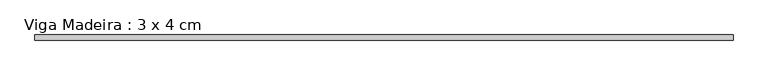
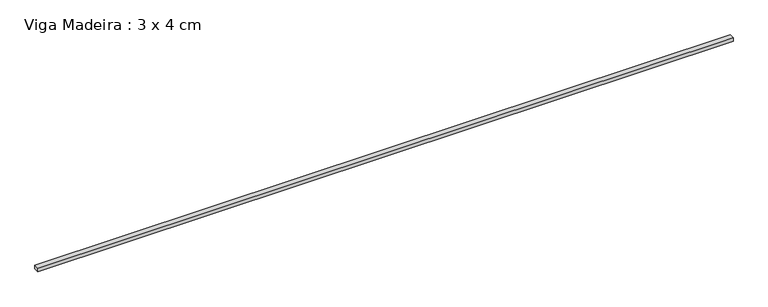
"""IFC4 building model written with IfcOpenShell, lengths in millimetres: beam geometry, Viga Madeira : 3 x 4 cm."""

from ifc_helpers import new_model, si_unit, frame, origin, place, context, project, spatial, polyline, outline, extrude, source, transform, mapped, element, save


def viga_madeira_3_x_4_cm_852598c1(model_context):
    return source(origin(), model_context, "Body", "SweptSolid", [
        extrude(outline(polyline([(2709.0067294, 20.0), (2709.0067294, -20.0), (-2709.0067294, -20.0), (-2709.0067294, 20.0), (2709.0067294, 20.0)])), frame((0.0, 0.0, -15.0), z_axis=(0.0, 0.0, 1.0), x_axis=(1.0, 0.0, 0.0)), (0.0, 0.0, 1.0), 30.0),
    ])


if __name__ == "__main__":
    model = new_model("IFC4")
    model_context = context("Model", 3, world=origin())
    ifc_project = project(units=[si_unit("LENGTHUNIT", "METRE", prefix="MILLI")], contexts=[model_context])
    site = spatial("IfcSite", under=ifc_project)
    building = spatial("IfcBuilding", under=site)
    placement = place(None, origin())
    viga_madeira_3_x_4_cm_shape = viga_madeira_3_x_4_cm_852598c1(model_context)
    element("IfcBeam", 1, ObjectType="Viga Madeira : 3 x 4 cm", at=placement, inside=building, context=model_context, shape_type="MappedRepresentation", body=[
        mapped(viga_madeira_3_x_4_cm_shape, transform((0.0, 0.0, 0.0), x_axis=(1.0, 0.0, 0.0), y_axis=(0.0, 1.0, 0.0), z_axis=(0.0, 0.0, 1.0))),
    ])
    save(model, "model.ifc")
